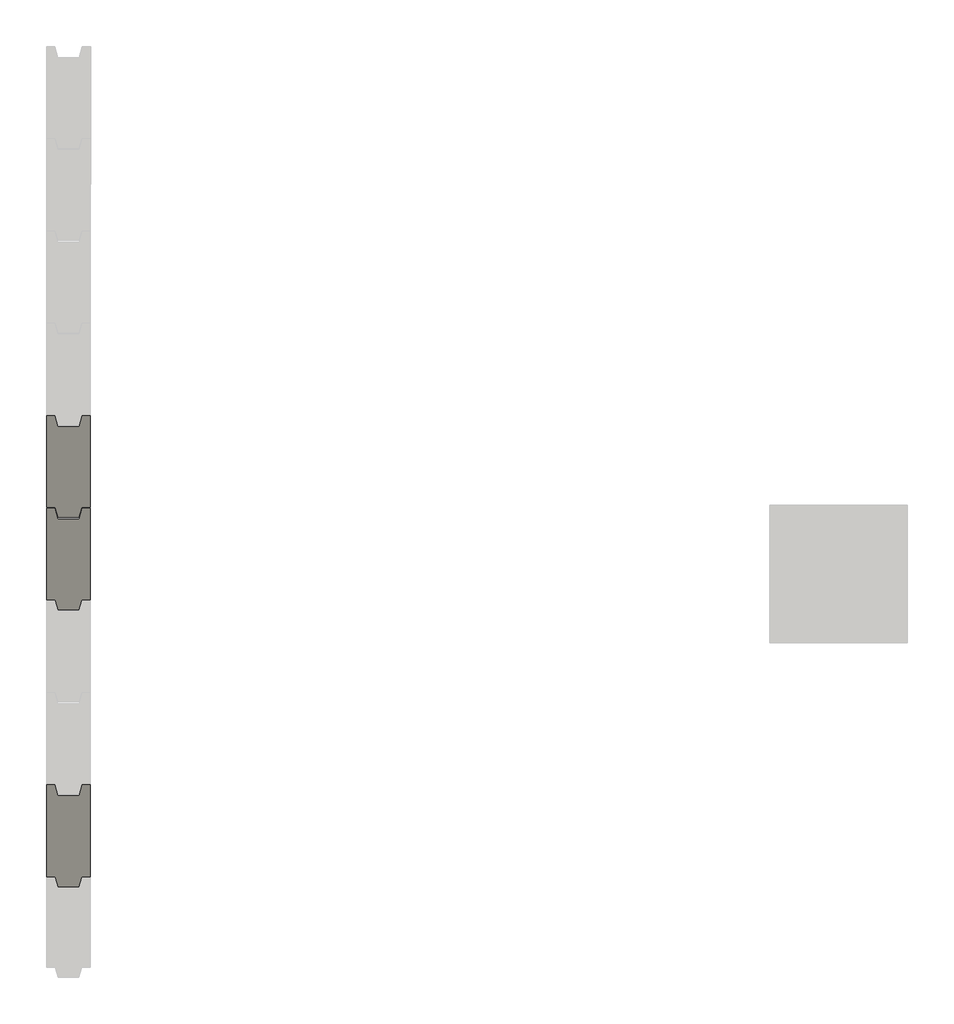
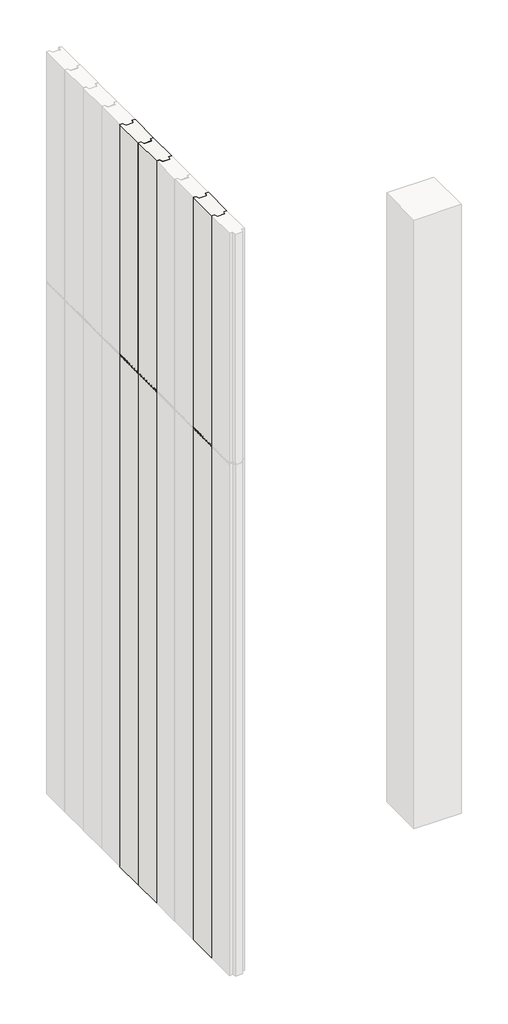
# One storey, part 1 of 3: 3 slabs.
"""IFC4 building model written with IfcOpenShell, lengths in millimetres."""

import ifcopenshell
import ifcopenshell.guid

model = None  # the IFC model being written
_history = None  # IfcOwnerHistory: only IFC2X3 demands one
_inside = {}  # id of a spatial element -> (the spatial element, [elements in it])
_under = {}  # id of a project, library or spatial element -> (it, [spatial elements below it])
_declared = {}  # id of a project -> (the project, [libraries it declares])
_typed = {}  # id of a type object -> (the type object, [elements of that type])
_made_of = {}  # id of a material, layer set ... -> (it, [elements and type objects made of it])


def new_model(schema):
    """Start an empty IFC model of exactly this schema.

    Asked for "IFC4X3", IfcOpenShell would pick the latest addendum, in which some entities
    have other attributes; the version numbers below select the first issue.
    IFC2X3 requires an IfcOwnerHistory on every rooted entity: one is made here for all.
    """
    global model, _history
    if schema == "IFC4X3":
        model = ifcopenshell.file(schema_version=(4, 3, 0, 0))
    else:
        model = ifcopenshell.file(schema=schema)
    _inside.clear()
    _under.clear()
    _declared.clear()
    _typed.clear()
    _made_of.clear()
    _history = None
    if model.schema == "IFC2X3":
        org = make("IfcOrganization", Name="unknown")
        user = make(
            "IfcPersonAndOrganization",
            ThePerson=make("IfcPerson", FamilyName="unknown"),
            TheOrganization=org,
        )
        app = make(
            "IfcApplication",
            ApplicationDeveloper=org,
            Version="unknown",
            ApplicationFullName="unknown",
            ApplicationIdentifier="unknown",
        )
        _history = make(
            "IfcOwnerHistory",
            OwningUser=user,
            OwningApplication=app,
            ChangeAction="ADDED",
            CreationDate=0,
        )
    return model


def make(cls, **values):
    """One entity of the class cls with the attributes given. An attribute that is None is left unset."""
    return model.create_entity(
        cls, **{name: value for name, value in values.items() if value is not None}
    )


def rooted(cls, **values):
    """An entity with a GlobalId (a new one), such as an element, a storey or a relation."""
    return make(cls, GlobalId=ifcopenshell.guid.new(), OwnerHistory=_history, **values)


def si_unit(unit_type, name, prefix=None):
    """IfcSIUnit, for example si_unit("LENGTHUNIT", "METRE", prefix="MILLI")."""
    return make("IfcSIUnit", UnitType=unit_type, Prefix=prefix, Name=name)


def assignment(units):
    """IfcUnitAssignment: the units of a project."""
    return None if units is None else make("IfcUnitAssignment", Units=units)


def point(xyz):
    """IfcCartesianPoint."""
    return None if xyz is None else make("IfcCartesianPoint", Coordinates=xyz)


def direction(xyz):
    """IfcDirection."""
    return None if xyz is None else make("IfcDirection", DirectionRatios=xyz)


def frame(location, z_axis=None, x_axis=None):
    """IfcAxis2Placement3D, a coordinate frame: its origin and axes. An axis left out is left unset."""
    return make(
        "IfcAxis2Placement3D",
        Location=point(location),
        Axis=direction(z_axis),
        RefDirection=direction(x_axis),
    )


def origin():
    """The frame at (0, 0, 0) with its axes left unset."""
    return frame((0.0, 0.0, 0.0))


def place(relative_to, where):
    """IfcLocalPlacement: puts the frame where relative to a parent placement (None: the world)."""
    return make(
        "IfcLocalPlacement", PlacementRelTo=relative_to, RelativePlacement=where
    )


def context(
    kind, dimensions, precision=None, world=None, true_north=None, identifier=None
):
    """IfcGeometricRepresentationContext, for example the 3D "Model" context."""
    return make(
        "IfcGeometricRepresentationContext",
        ContextIdentifier=identifier,
        ContextType=kind,
        CoordinateSpaceDimension=dimensions,
        Precision=precision,
        WorldCoordinateSystem=world,
        TrueNorth=true_north,
    )


def project(units=None, contexts=None):
    """IfcProject with its units and contexts."""
    return rooted(
        "IfcProject",
        Name="project",
        RepresentationContexts=contexts,
        UnitsInContext=assignment(units),
    )


def spatial(cls, under=None, at=None, **own):
    """A site, building, storey or space (cls), placed at a placement, below another one or the project."""
    s = rooted(cls, ObjectPlacement=at, **own)
    if under is not None:
        _under.setdefault(under.id(), (under, []))[1].append(s)
    return s


def faces_of(points, faces, orient=None, outer=None):
    """IfcFace entities. A face is a list of loops; a loop is a list of indices into points, from 0.

    orient and outer hold one flag for each loop. By default every Orientation is true, the
    first loop of a face is its IfcFaceOuterBound and the others are IfcFaceBound.
    """
    made = []
    for i, loops in enumerate(faces):
        bounds = []
        for j, loop in enumerate(loops):
            is_outer = j == 0 if outer is None else outer[i][j]
            bounds.append(
                make(
                    "IfcFaceOuterBound" if is_outer else "IfcFaceBound",
                    Bound=make("IfcPolyLoop", Polygon=[points[k] for k in loop]),
                    Orientation=True if orient is None else orient[i][j],
                )
            )
        made.append(make("IfcFace", Bounds=bounds))
    return made


def faceted_brep(points, faces, orient=None, outer=None, voids=None):
    """IfcFacetedBrep: a solid bounded by flat faces; with voids (closed shells), ...WithVoids."""
    shared = [point(p) for p in points]
    hull = make("IfcClosedShell", CfsFaces=faces_of(shared, faces, orient, outer))
    if voids is None:
        return make("IfcFacetedBrep", Outer=hull)
    return make(
        "IfcFacetedBrepWithVoids",
        Outer=hull,
        Voids=[
            make(cls, CfsFaces=faces_of(shared, fs, o, b)) for cls, fs, o, b in voids
        ],
    )


def shape(context_of_items, identifier, shape_type, items):
    """IfcShapeRepresentation: the items that make up one representation, for example the "Body"."""
    return make(
        "IfcShapeRepresentation",
        ContextOfItems=context_of_items,
        RepresentationIdentifier=identifier,
        RepresentationType=shape_type,
        Items=items,
    )


def made_of(thing, what):
    """Note that an element or type object is made of a material, layer set ...; save() writes the relation."""
    if what is not None:
        _made_of.setdefault(what.id(), (what, []))[1].append(thing)
    return thing


def element(
    cls,
    number,
    at=None,
    inside=None,
    cuts=None,
    type_object=None,
    material=None,
    context=None,
    identifier="Body",
    shape_type=None,
    held_by="IfcProductDefinitionShape",
    body=None,
    shapes=None,
    **own,
):
    """One element of the class cls, such as IfcWall. Its Tag is "e" and its number.

    at: its placement. inside: the storey or other place that contains it. cuts: it is an
    opening in that element (IfcRelVoidsElement). A single representation is given by context,
    identifier, shape_type and body (its items); several are given by shapes. held_by: the class
    of the entity that holds the representations. save() writes the other relations.
    """
    e = rooted(cls, Tag="e%d" % number, ObjectPlacement=at, **own)
    if body is not None:
        shapes = [shape(context, identifier, shape_type, body)]
    if shapes is not None:
        e.Representation = make(held_by, Representations=shapes)
    if inside is not None:
        _inside.setdefault(inside.id(), (inside, []))[1].append(e)
    if cuts is not None:
        rooted(
            "IfcRelVoidsElement", RelatingBuildingElement=cuts, RelatedOpeningElement=e
        )
    if type_object is not None:
        _typed.setdefault(type_object.id(), (type_object, []))[1].append(e)
    return made_of(e, material)


def aggregate(whole, parts):
    """IfcRelAggregates: a whole, such as a stair, and the parts it consists of."""
    return rooted("IfcRelAggregates", RelatingObject=whole, RelatedObjects=parts)


def save(model, path):
    """Write the relations noted so far, then the file.

    IfcRelAggregates (storeys below a building ...), IfcRelContainedInSpatialStructure (elements
    in a storey), IfcRelDefinesByType, IfcRelAssociatesMaterial and IfcRelDeclares: one each for
    every whole, place, type object, material and project.
    """
    for whole, parts in _under.values():
        aggregate(whole, parts)
    for where, things in _inside.values():
        rooted(
            "IfcRelContainedInSpatialStructure",
            RelatedElements=things,
            RelatingStructure=where,
        )
    for kind, things in _typed.values():
        rooted("IfcRelDefinesByType", RelatedObjects=things, RelatingType=kind)
    for what, things in _made_of.values():
        rooted("IfcRelAssociatesMaterial", RelatedObjects=things, RelatingMaterial=what)
    for by, libraries in _declared.values():
        rooted("IfcRelDeclares", RelatingContext=by, RelatedDefinitions=libraries)
    model.write(path)


model = new_model("IFC4")

# Units and contexts
model_context = context("Model", 3, world=origin())
ifc_project = project(units=[si_unit("LENGTHUNIT", "METRE", prefix="MILLI")], contexts=[model_context])

# Site, building, storey
site = spatial("IfcSite", under=ifc_project)
building = spatial("IfcBuilding", under=site)
storey = spatial("IfcBuildingStorey", under=building, Elevation=-3000.0)

# Slabs
placement = place(None, origin())
element("IfcSlab", 1, at=placement, inside=storey, context=model_context, shape_type="Brep", body=[
    faceted_brep([(9811.5705885, 57106.1979602, 145.0), (9811.5710611, 57273.1979602, 145.0), (9796.5710611, 57273.1980027, 145.0), (9791.2120206, 57253.1980178, 145.0), (9751.9299883, 57253.198129, 145.0), (9746.5710611, 57273.1981442, 145.0), (9731.5710611, 57273.1981866, 145.0), (9731.5705885, 57106.1981866, 145.0), (9747.1069538, 57106.1981427, 145.0), (9747.5705885, 57106.1981413, 145.0), (9753.0736898, 57088.1981258, 145.0), (9790.0673853, 57088.1980211, 145.0), (9795.5705885, 57106.1980055, 145.0), (9796.035157, 57106.1980042, 145.0), (9795.5705885, 57106.1980055, -1140.9159706), (9811.5705885, 57106.1979602, -1140.9159706), (9790.0673853, 57088.1980211, -1142.0678249), (9791.3149647, 57092.2786281, -1135.0), (9793.0801179, 57098.0521258, -1145.0), (9794.6858001, 57103.3040224, -1135.9034405), (9753.0736898, 57088.1981258, -1142.0678249), (9747.5705885, 57106.1981413, -1140.9159706), (9748.4553605, 57103.3041532, -1135.9034405), (9750.0610129, 57098.0522476, -1145.0), (9751.8261335, 57092.2787399, -1135.0), (9731.5705885, 57106.1981866, -1140.9159706), (9731.5710611, 57273.1981866, -1136.2177826), (9731.5710467, 57268.1277711, -1145.0), (9731.5710304, 57262.3542684, -1135.0), (9731.5710141, 57256.5807657, -1145.0), (9731.5709977, 57250.807263, -1135.0), (9731.5709814, 57245.0337603, -1145.0), (9731.5709665, 57239.7818592, -1135.9034405), (9731.5709517, 57234.5299581, -1145.0), (9731.5709353, 57228.7564554, -1135.0), (9731.570919, 57222.9829527, -1145.0), (9731.5709026, 57217.20945, -1135.0), (9731.5708863, 57211.4359474, -1145.0), (9731.57087, 57205.6624447, -1135.0), (9731.5708536, 57199.888942, -1145.0), (9731.5708373, 57194.1154393, -1135.0), (9731.5708209, 57188.3419366, -1145.0), (9731.5708046, 57182.5684339, -1135.0), (9731.5707883, 57176.7949312, -1145.0), (9731.5707734, 57171.5430301, -1135.9034405), (9731.5707585, 57166.291129, -1145.0), (9731.5707422, 57160.5176263, -1135.0), (9731.5707259, 57154.7441236, -1145.0), (9731.5707095, 57148.9706209, -1135.0), (9731.5706932, 57143.1971182, -1145.0), (9731.5706768, 57137.4236156, -1135.0), (9731.5706605, 57131.6501129, -1145.0), (9731.5706442, 57125.8766102, -1135.0), (9731.5706278, 57120.1031075, -1145.0), (9731.5706115, 57114.3296048, -1135.0), (9731.5705951, 57108.5561021, -1145.0), (9746.5710611, 57273.1981442, -1136.2177826), (9751.9299883, 57253.198129, -1139.1412012), (9751.0236386, 57256.5807106, -1145.0), (9749.4766495, 57262.3542177, -1135.0), (9747.9296605, 57268.1277248, -1145.0), (9791.2120206, 57253.1980178, -1139.1412012), (9796.5710611, 57273.1980027, -1136.2177826), (9795.212433, 57268.127591, -1145.0), (9793.6654113, 57262.3540927, -1135.0), (9792.1183895, 57256.5805943, -1145.0), (9811.5710611, 57273.1979602, -1136.2177826), (9811.5705951, 57108.5558757, -1145.0), (9811.5706115, 57114.3293784, -1135.0), (9811.5706278, 57120.1028811, -1145.0), (9811.5706442, 57125.8763838, -1135.0), (9811.5706605, 57131.6498865, -1145.0), (9811.5706768, 57137.4233892, -1135.0), (9811.5706932, 57143.1968918, -1145.0), (9811.5707095, 57148.9703945, -1135.0), (9811.5707259, 57154.7438972, -1145.0), (9811.5707422, 57160.5173999, -1135.0), (9811.5707585, 57166.2909026, -1145.0), (9811.5707734, 57171.5428037, -1135.9034405), (9811.5707883, 57176.7947048, -1145.0), (9811.5708046, 57182.5682075, -1135.0), (9811.5708209, 57188.3417102, -1145.0), (9811.5708373, 57194.1152129, -1135.0), (9811.5708536, 57199.8887156, -1145.0), (9811.57087, 57205.6622183, -1135.0), (9811.5708863, 57211.435721, -1145.0), (9811.5709026, 57217.2092236, -1135.0), (9811.570919, 57222.9827263, -1145.0), (9811.5709353, 57228.756229, -1135.0), (9811.5709517, 57234.5297317, -1145.0), (9811.5709665, 57239.7816328, -1135.9034405), (9811.5709814, 57245.0335339, -1145.0), (9811.5709977, 57250.8070366, -1135.0), (9811.5710141, 57256.5805393, -1145.0), (9811.5710304, 57262.354042, -1135.0), (9811.5710467, 57268.1275447, -1145.0)], [[[0, 1, 2, 3, 4, 5, 6, 7, 8, 9, 10, 11, 12, 13]], [[12, 14, 15, 0, 13]], [[11, 16, 17, 18, 19, 14, 12]], [[10, 20, 16, 11]], [[9, 21, 22, 23, 24, 20, 10]], [[7, 25, 21, 9, 8]], [[6, 26, 27, 28, 29, 30, 31, 32, 33, 34, 35, 36, 37, 38, 39, 40, 41, 42, 43, 44, 45, 46, 47, 48, 49, 50, 51, 52, 53, 54, 55, 25, 7]], [[5, 56, 26, 6]], [[4, 57, 58, 59, 60, 56, 5]], [[3, 61, 57, 4]], [[2, 62, 63, 64, 65, 61, 3]], [[1, 66, 62, 2]], [[0, 15, 67, 68, 69, 70, 71, 72, 73, 74, 75, 76, 77, 78, 79, 80, 81, 82, 83, 84, 85, 86, 87, 88, 89, 90, 91, 92, 93, 94, 95, 66, 1]], [[91, 90, 32, 31]], [[31, 30, 92, 91]], [[30, 29, 58, 57, 61, 65, 93, 92]], [[29, 28, 59, 58]], [[65, 64, 94, 93]], [[28, 27, 60, 59]], [[64, 63, 95, 94]], [[27, 26, 56, 60]], [[63, 62, 66, 95]], [[17, 16, 20, 24]], [[24, 23, 18, 17]], [[23, 22, 19, 18]], [[67, 15, 14, 19, 22, 21, 25, 55]], [[55, 54, 68, 67]], [[54, 53, 69, 68]], [[53, 52, 70, 69]], [[52, 51, 71, 70]], [[51, 50, 72, 71]], [[50, 49, 73, 72]], [[49, 48, 74, 73]], [[48, 47, 75, 74]], [[47, 46, 76, 75]], [[46, 45, 77, 76]], [[45, 44, 78, 77]], [[44, 43, 79, 78]], [[43, 42, 80, 79]], [[42, 41, 81, 80]], [[41, 40, 82, 81]], [[40, 39, 83, 82]], [[39, 38, 84, 83]], [[38, 37, 85, 84]], [[37, 36, 86, 85]], [[36, 35, 87, 86]], [[35, 34, 88, 87]], [[34, 33, 89, 88]], [[90, 89, 33, 32]]]),
    faceted_brep([(9811.5705885, 57106.1979602, -4000.0), (9796.035157, 57106.1980042, -4000.0), (9795.5705885, 57106.1980055, -4000.0), (9790.0673853, 57088.1980211, -4000.0), (9753.0736898, 57088.1981258, -4000.0), (9747.5705885, 57106.1981413, -4000.0), (9747.1069538, 57106.1981427, -4000.0), (9731.5705885, 57106.1981866, -4000.0), (9731.5710611, 57273.1981866, -4000.0), (9746.5710611, 57273.1981442, -4000.0), (9751.9299883, 57253.198129, -4000.0), (9791.2120206, 57253.1980178, -4000.0), (9796.5710611, 57273.1980027, -4000.0), (9811.5710611, 57273.1979602, -4000.0), (9811.5710611, 57273.1979602, -1135.0), (9811.5705885, 57106.1979602, -1135.0), (9796.5710611, 57273.1980027, -1135.0), (9791.2120206, 57253.1980178, -1135.0), (9751.9299883, 57253.198129, -1135.0), (9756.5710045, 57253.1981159, -1135.0), (9756.5710045, 57253.1981159, -1139.1412012), (9786.5710045, 57253.198031, -1139.1412012), (9786.5710045, 57253.198031, -1135.0), (9746.5710611, 57273.1981442, -1135.0), (9731.5710611, 57273.1981866, -1135.0), (9731.5705885, 57106.1981866, -1135.0), (9747.5705885, 57106.1981413, -1135.0), (9747.1069538, 57106.1981427, -1135.0), (9753.0736898, 57088.1981258, -1135.0), (9790.0673853, 57088.1980211, -1135.0), (9786.5705375, 57088.198031, -1135.0), (9786.5705375, 57088.198031, -1142.0678249), (9756.5705375, 57088.1981159, -1142.0678249), (9756.5705375, 57088.1981159, -1135.0), (9795.5705885, 57106.1980055, -1135.0), (9796.035157, 57106.1980042, -1135.0), (9786.5709814, 57245.0336047, -1145.0), (9756.5709814, 57245.0336896, -1145.0), (9756.5709665, 57239.7817885, -1135.9034405), (9786.5709665, 57239.7817036, -1135.9034405), (9786.5709977, 57250.8071073, -1135.0), (9756.5709977, 57250.8071922, -1135.0), (9756.5705491, 57092.2787265, -1135.0), (9786.5705491, 57092.2786416, -1135.0), (9786.5705654, 57098.0521443, -1145.0), (9756.5705654, 57098.0522292, -1145.0), (9786.5705803, 57103.3040454, -1135.9034405), (9756.5705803, 57103.3041303, -1135.9034405), (9786.5705951, 57108.5559464, -1145.0), (9756.5705951, 57108.5560313, -1145.0), (9786.5706115, 57114.3294491, -1135.0), (9756.5706115, 57114.329534, -1135.0), (9786.5706278, 57120.1029518, -1145.0), (9756.5706278, 57120.1030367, -1145.0), (9786.5706442, 57125.8764545, -1135.0), (9756.5706442, 57125.8765394, -1135.0), (9786.5706605, 57131.6499572, -1145.0), (9756.5706605, 57131.6500421, -1145.0), (9786.5706768, 57137.4234599, -1135.0), (9756.5706768, 57137.4235448, -1135.0), (9786.5706932, 57143.1969626, -1145.0), (9756.5706932, 57143.1970475, -1145.0), (9786.5707095, 57148.9704653, -1135.0), (9756.5707095, 57148.9705502, -1135.0), (9786.5707259, 57154.743968, -1145.0), (9756.5707259, 57154.7440529, -1145.0), (9786.5707422, 57160.5174707, -1135.0), (9756.5707422, 57160.5175556, -1135.0), (9786.5707585, 57166.2909734, -1145.0), (9756.5707585, 57166.2910583, -1145.0), (9786.5707734, 57171.5428745, -1135.9034405), (9756.5707734, 57171.5429594, -1135.9034405), (9786.5707883, 57176.7947756, -1145.0), (9756.5707883, 57176.7948605, -1145.0), (9786.5708046, 57182.5682782, -1135.0), (9756.5708046, 57182.5683631, -1135.0), (9786.5708209, 57188.3417809, -1145.0), (9756.5708209, 57188.3418658, -1145.0), (9786.5708373, 57194.1152836, -1135.0), (9756.5708373, 57194.1153685, -1135.0), (9786.5708536, 57199.8887863, -1145.0), (9756.5708536, 57199.8888712, -1145.0), (9786.57087, 57205.662289, -1135.0), (9756.57087, 57205.6623739, -1135.0), (9786.5708863, 57211.4357917, -1145.0), (9756.5708863, 57211.4358766, -1145.0), (9786.5709026, 57217.2092944, -1135.0), (9756.5709026, 57217.2093793, -1135.0), (9786.570919, 57222.9827971, -1145.0), (9756.570919, 57222.982882, -1145.0), (9786.5709353, 57228.7562998, -1135.0), (9756.5709353, 57228.7563847, -1135.0), (9786.5709517, 57234.5298025, -1145.0), (9756.5709517, 57234.5298874, -1145.0)], [[[0, 1, 2, 3, 4, 5, 6, 7, 8, 9, 10, 11, 12, 13]], [[13, 14, 15, 0]], [[12, 16, 14, 13]], [[11, 17, 16, 12]], [[10, 18, 19, 20, 21, 22, 17, 11]], [[9, 23, 18, 10]], [[8, 24, 23, 9]], [[7, 25, 24, 8]], [[5, 26, 27, 25, 7, 6]], [[4, 28, 26, 5]], [[3, 29, 30, 31, 32, 33, 28, 4]], [[2, 34, 29, 3]], [[0, 15, 35, 34, 2, 1]], [[36, 37, 38, 39]], [[40, 41, 37, 36]], [[40, 21, 20, 41]], [[42, 32, 31, 43]], [[44, 45, 42, 43]], [[46, 47, 45, 44]], [[48, 49, 47, 46]], [[50, 51, 49, 48]], [[52, 53, 51, 50]], [[54, 55, 53, 52]], [[56, 57, 55, 54]], [[58, 59, 57, 56]], [[60, 61, 59, 58]], [[62, 63, 61, 60]], [[64, 65, 63, 62]], [[66, 67, 65, 64]], [[68, 69, 67, 66]], [[70, 71, 69, 68]], [[72, 73, 71, 70]], [[74, 75, 73, 72]], [[76, 77, 75, 74]], [[78, 79, 77, 76]], [[80, 81, 79, 78]], [[82, 83, 81, 80]], [[84, 85, 83, 82]], [[86, 87, 85, 84]], [[88, 89, 87, 86]], [[90, 91, 89, 88]], [[92, 93, 91, 90]], [[39, 38, 93, 92]], [[51, 42, 45, 47, 49]], [[55, 51, 53]], [[59, 55, 57]], [[63, 59, 61]], [[41, 91, 93, 38, 37]], [[67, 63, 65]], [[91, 87, 89]], [[75, 67, 69, 71, 73]], [[87, 83, 85]], [[83, 79, 81]], [[42, 33, 32]], [[79, 75, 77]], [[20, 19, 41]], [[15, 14, 16, 17, 22, 40, 90, 86, 82, 78, 74, 66, 62, 58, 54, 50, 43, 30, 29, 34, 35]], [[28, 33, 42, 51, 55, 59, 63, 67, 75, 79, 83, 87, 91, 41, 19, 18, 23, 24, 25, 27, 26]], [[90, 40, 36, 39, 92]], [[78, 82, 80]], [[86, 90, 88]], [[82, 86, 84]], [[74, 78, 76]], [[66, 74, 72, 70, 68]], [[62, 66, 64]], [[58, 62, 60]], [[54, 58, 56]], [[50, 54, 52]], [[43, 50, 48, 46, 44]], [[31, 30, 43]], [[40, 22, 21]]]),
])
element("IfcSlab", 2, at=placement, inside=storey, context=model_context, shape_type="Brep", body=[
    faceted_brep([(9811.5724902, 57778.1979602, 145.0), (9811.5729628, 57945.1979602, 145.0), (9796.5729628, 57945.1980027, 145.0), (9791.2139224, 57925.1980178, 145.0), (9751.9318901, 57925.198129, 145.0), (9746.5729628, 57945.1981442, 145.0), (9731.5729628, 57945.1981866, 145.0), (9731.5724902, 57778.1981866, 145.0), (9747.5724902, 57778.1981413, 145.0), (9753.0755916, 57760.1981258, 145.0), (9790.069287, 57760.1980211, 145.0), (9795.5724902, 57778.1980055, 145.0), (9795.5724902, 57778.1980055, -1140.9159706), (9811.5724902, 57778.1979602, -1140.9159706), (9790.069287, 57760.1980211, -1142.0678249), (9791.3168664, 57764.2786281, -1135.0), (9793.0820197, 57770.0521258, -1145.0), (9794.6877018, 57775.3040224, -1135.9034405), (9753.0755916, 57760.1981258, -1142.0678249), (9747.5724902, 57778.1981413, -1140.9159706), (9748.4572622, 57775.3041532, -1135.9034405), (9750.0629147, 57770.0522476, -1145.0), (9751.8280353, 57764.2787399, -1135.0), (9731.5724902, 57778.1981866, -1140.9159706), (9731.5729628, 57945.1981866, -1136.2177826), (9731.5729485, 57940.1277711, -1145.0), (9731.5729322, 57934.3542684, -1135.0), (9731.5729158, 57928.5807657, -1145.0), (9731.5728995, 57922.807263, -1135.0), (9731.5728831, 57917.0337603, -1145.0), (9731.5728683, 57911.7818592, -1135.9034405), (9731.5728534, 57906.5299581, -1145.0), (9731.5728371, 57900.7564554, -1135.0), (9731.5728207, 57894.9829527, -1145.0), (9731.5728044, 57889.20945, -1135.0), (9731.5727881, 57883.4359474, -1145.0), (9731.5727717, 57877.6624447, -1135.0), (9731.5727554, 57871.888942, -1145.0), (9731.572739, 57866.1154393, -1135.0), (9731.5727227, 57860.3419366, -1145.0), (9731.5727064, 57854.5684339, -1135.0), (9731.57269, 57848.7949312, -1145.0), (9731.5726752, 57843.5430301, -1135.9034405), (9731.5726603, 57838.291129, -1145.0), (9731.572644, 57832.5176263, -1135.0), (9731.5726276, 57826.7441236, -1145.0), (9731.5726113, 57820.9706209, -1135.0), (9731.5725949, 57815.1971182, -1145.0), (9731.5725786, 57809.4236156, -1135.0), (9731.5725623, 57803.6501129, -1145.0), (9731.5725459, 57797.8766102, -1135.0), (9731.5725296, 57792.1031075, -1145.0), (9731.5725132, 57786.3296048, -1135.0), (9731.5724969, 57780.5561021, -1145.0), (9746.5729628, 57945.1981442, -1136.2177826), (9751.9318901, 57925.198129, -1139.1412012), (9751.0255403, 57928.5807106, -1145.0), (9749.4785513, 57934.3542177, -1135.0), (9747.9315622, 57940.1277248, -1145.0), (9791.2139224, 57925.1980178, -1139.1412012), (9796.5729628, 57945.1980027, -1136.2177826), (9795.2143347, 57940.127591, -1145.0), (9793.667313, 57934.3540927, -1135.0), (9792.1202913, 57928.5805943, -1145.0), (9811.5729628, 57945.1979602, -1136.2177826), (9811.5724969, 57780.5558757, -1145.0), (9811.5725132, 57786.3293784, -1135.0), (9811.5725296, 57792.1028811, -1145.0), (9811.5725459, 57797.8763838, -1135.0), (9811.5725623, 57803.6498865, -1145.0), (9811.5725786, 57809.4233892, -1135.0), (9811.5725949, 57815.1968918, -1145.0), (9811.5726113, 57820.9703945, -1135.0), (9811.5726276, 57826.7438972, -1145.0), (9811.572644, 57832.5173999, -1135.0), (9811.5726603, 57838.2909026, -1145.0), (9811.5726752, 57843.5428037, -1135.9034405), (9811.57269, 57848.7947048, -1145.0), (9811.5727064, 57854.5682075, -1135.0), (9811.5727227, 57860.3417102, -1145.0), (9811.572739, 57866.1152129, -1135.0), (9811.5727554, 57871.8887156, -1145.0), (9811.5727717, 57877.6622183, -1135.0), (9811.5727881, 57883.4357209, -1145.0), (9811.5728044, 57889.2092236, -1135.0), (9811.5728207, 57894.9827263, -1145.0), (9811.5728371, 57900.756229, -1135.0), (9811.5728534, 57906.5297317, -1145.0), (9811.5728683, 57911.7816328, -1135.9034405), (9811.5728831, 57917.0335339, -1145.0), (9811.5728995, 57922.8070366, -1135.0), (9811.5729158, 57928.5805393, -1145.0), (9811.5729322, 57934.354042, -1135.0), (9811.5729485, 57940.1275447, -1145.0)], [[[0, 1, 2, 3, 4, 5, 6, 7, 8, 9, 10, 11]], [[11, 12, 13, 0]], [[10, 14, 15, 16, 17, 12, 11]], [[9, 18, 14, 10]], [[8, 19, 20, 21, 22, 18, 9]], [[7, 23, 19, 8]], [[6, 24, 25, 26, 27, 28, 29, 30, 31, 32, 33, 34, 35, 36, 37, 38, 39, 40, 41, 42, 43, 44, 45, 46, 47, 48, 49, 50, 51, 52, 53, 23, 7]], [[5, 54, 24, 6]], [[4, 55, 56, 57, 58, 54, 5]], [[3, 59, 55, 4]], [[2, 60, 61, 62, 63, 59, 3]], [[1, 64, 60, 2]], [[0, 13, 65, 66, 67, 68, 69, 70, 71, 72, 73, 74, 75, 76, 77, 78, 79, 80, 81, 82, 83, 84, 85, 86, 87, 88, 89, 90, 91, 92, 93, 64, 1]], [[89, 88, 30, 29]], [[29, 28, 90, 89]], [[28, 27, 56, 55, 59, 63, 91, 90]], [[27, 26, 57, 56]], [[63, 62, 92, 91]], [[26, 25, 58, 57]], [[62, 61, 93, 92]], [[25, 24, 54, 58]], [[61, 60, 64, 93]], [[15, 14, 18, 22]], [[22, 21, 16, 15]], [[21, 20, 17, 16]], [[65, 13, 12, 17, 20, 19, 23, 53]], [[53, 52, 66, 65]], [[52, 51, 67, 66]], [[51, 50, 68, 67]], [[50, 49, 69, 68]], [[49, 48, 70, 69]], [[48, 47, 71, 70]], [[47, 46, 72, 71]], [[46, 45, 73, 72]], [[45, 44, 74, 73]], [[44, 43, 75, 74]], [[43, 42, 76, 75]], [[42, 41, 77, 76]], [[41, 40, 78, 77]], [[40, 39, 79, 78]], [[39, 38, 80, 79]], [[38, 37, 81, 80]], [[37, 36, 82, 81]], [[36, 35, 83, 82]], [[35, 34, 84, 83]], [[34, 33, 85, 84]], [[33, 32, 86, 85]], [[32, 31, 87, 86]], [[88, 87, 31, 30]]]),
    faceted_brep([(9811.5724902, 57778.1979602, -4000.0), (9795.5724902, 57778.1980055, -4000.0), (9790.069287, 57760.1980211, -4000.0), (9753.0755916, 57760.1981258, -4000.0), (9747.5724902, 57778.1981413, -4000.0), (9731.5724902, 57778.1981866, -4000.0), (9731.5729628, 57945.1981866, -4000.0), (9746.5729628, 57945.1981442, -4000.0), (9751.9318901, 57925.198129, -4000.0), (9791.2139224, 57925.1980178, -4000.0), (9796.5729628, 57945.1980027, -4000.0), (9811.5729628, 57945.1979602, -4000.0), (9811.5729628, 57945.1979602, -1135.0), (9811.5724902, 57778.1979602, -1135.0), (9796.5729628, 57945.1980027, -1135.0), (9791.2139224, 57925.1980178, -1135.0), (9751.9318901, 57925.198129, -1135.0), (9756.5729062, 57925.1981159, -1135.0), (9756.5729062, 57925.1981159, -1139.1412012), (9786.5729062, 57925.198031, -1139.1412012), (9786.5729062, 57925.198031, -1135.0), (9746.5729628, 57945.1981442, -1135.0), (9731.5729628, 57945.1981866, -1135.0), (9731.5724902, 57778.1981866, -1135.0), (9747.5724902, 57778.1981413, -1135.0), (9753.0755916, 57760.1981258, -1135.0), (9790.069287, 57760.1980211, -1135.0), (9786.5724393, 57760.198031, -1135.0), (9786.5724393, 57760.198031, -1142.0678249), (9756.5724393, 57760.1981159, -1142.0678249), (9756.5724393, 57760.1981159, -1135.0), (9795.5724902, 57778.1980055, -1135.0), (9786.5728831, 57917.0336047, -1145.0), (9756.5728831, 57917.0336896, -1145.0), (9756.5728683, 57911.7817885, -1135.9034405), (9786.5728683, 57911.7817036, -1135.9034405), (9786.5728995, 57922.8071073, -1135.0), (9756.5728995, 57922.8071922, -1135.0), (9756.5724508, 57764.2787265, -1135.0), (9786.5724508, 57764.2786416, -1135.0), (9786.5724672, 57770.0521443, -1145.0), (9756.5724672, 57770.0522292, -1145.0), (9786.572482, 57775.3040454, -1135.9034405), (9756.572482, 57775.3041303, -1135.9034405), (9786.5724969, 57780.5559464, -1145.0), (9756.5724969, 57780.5560313, -1145.0), (9786.5725132, 57786.3294491, -1135.0), (9756.5725132, 57786.329534, -1135.0), (9786.5725296, 57792.1029518, -1145.0), (9756.5725296, 57792.1030367, -1145.0), (9786.5725459, 57797.8764545, -1135.0), (9756.5725459, 57797.8765394, -1135.0), (9786.5725623, 57803.6499572, -1145.0), (9756.5725623, 57803.6500421, -1145.0), (9786.5725786, 57809.4234599, -1135.0), (9756.5725786, 57809.4235448, -1135.0), (9786.5725949, 57815.1969626, -1145.0), (9756.5725949, 57815.1970475, -1145.0), (9786.5726113, 57820.9704653, -1135.0), (9756.5726113, 57820.9705502, -1135.0), (9786.5726276, 57826.743968, -1145.0), (9756.5726276, 57826.7440529, -1145.0), (9786.572644, 57832.5174707, -1135.0), (9756.572644, 57832.5175556, -1135.0), (9786.5726603, 57838.2909734, -1145.0), (9756.5726603, 57838.2910583, -1145.0), (9786.5726752, 57843.5428745, -1135.9034405), (9756.5726752, 57843.5429594, -1135.9034405), (9786.57269, 57848.7947755, -1145.0), (9756.57269, 57848.7948604, -1145.0), (9786.5727064, 57854.5682782, -1135.0), (9756.5727064, 57854.5683631, -1135.0), (9786.5727227, 57860.3417809, -1145.0), (9756.5727227, 57860.3418658, -1145.0), (9786.572739, 57866.1152836, -1135.0), (9756.572739, 57866.1153685, -1135.0), (9786.5727554, 57871.8887863, -1145.0), (9756.5727554, 57871.8888712, -1145.0), (9786.5727717, 57877.662289, -1135.0), (9756.5727717, 57877.6623739, -1135.0), (9786.5727881, 57883.4357917, -1145.0), (9756.5727881, 57883.4358766, -1145.0), (9786.5728044, 57889.2092944, -1135.0), (9756.5728044, 57889.2093793, -1135.0), (9786.5728207, 57894.9827971, -1145.0), (9756.5728207, 57894.982882, -1145.0), (9786.5728371, 57900.7562998, -1135.0), (9756.5728371, 57900.7563847, -1135.0), (9786.5728534, 57906.5298025, -1145.0), (9756.5728534, 57906.5298874, -1145.0)], [[[0, 1, 2, 3, 4, 5, 6, 7, 8, 9, 10, 11]], [[11, 12, 13, 0]], [[10, 14, 12, 11]], [[9, 15, 14, 10]], [[8, 16, 17, 18, 19, 20, 15, 9]], [[7, 21, 16, 8]], [[6, 22, 21, 7]], [[5, 23, 22, 6]], [[4, 24, 23, 5]], [[3, 25, 24, 4]], [[2, 26, 27, 28, 29, 30, 25, 3]], [[1, 31, 26, 2]], [[0, 13, 31, 1]], [[32, 33, 34, 35]], [[36, 37, 33, 32]], [[36, 19, 18, 37]], [[38, 29, 28, 39]], [[40, 41, 38, 39]], [[42, 43, 41, 40]], [[44, 45, 43, 42]], [[46, 47, 45, 44]], [[48, 49, 47, 46]], [[50, 51, 49, 48]], [[52, 53, 51, 50]], [[54, 55, 53, 52]], [[56, 57, 55, 54]], [[58, 59, 57, 56]], [[60, 61, 59, 58]], [[62, 63, 61, 60]], [[64, 65, 63, 62]], [[66, 67, 65, 64]], [[68, 69, 67, 66]], [[70, 71, 69, 68]], [[72, 73, 71, 70]], [[74, 75, 73, 72]], [[76, 77, 75, 74]], [[78, 79, 77, 76]], [[80, 81, 79, 78]], [[82, 83, 81, 80]], [[84, 85, 83, 82]], [[86, 87, 85, 84]], [[88, 89, 87, 86]], [[35, 34, 89, 88]], [[47, 38, 41, 43, 45]], [[51, 47, 49]], [[55, 51, 53]], [[59, 55, 57]], [[37, 87, 89, 34, 33]], [[63, 59, 61]], [[87, 83, 85]], [[71, 63, 65, 67, 69]], [[83, 79, 81]], [[79, 75, 77]], [[38, 30, 29]], [[75, 71, 73]], [[18, 17, 37]], [[25, 30, 38, 47, 51, 55, 59, 63, 71, 75, 79, 83, 87, 37, 17, 16, 21, 22, 23, 24]], [[13, 12, 14, 15, 20, 36, 86, 82, 78, 74, 70, 62, 58, 54, 50, 46, 39, 27, 26, 31]], [[86, 36, 32, 35, 88]], [[74, 78, 76]], [[82, 86, 84]], [[78, 82, 80]], [[70, 74, 72]], [[62, 70, 68, 66, 64]], [[58, 62, 60]], [[54, 58, 56]], [[50, 54, 52]], [[46, 50, 48]], [[39, 46, 44, 42, 40]], [[28, 27, 39]], [[36, 20, 19]]]),
])
element("IfcSlab", 3, at=placement, inside=storey, context=model_context, shape_type="Brep", body=[
    faceted_brep([(9811.5720148, 57610.1979602, 145.0), (9811.5724874, 57777.1979602, 145.0), (9796.5724874, 57777.1980027, 145.0), (9791.213447, 57757.1980178, 145.0), (9751.9314147, 57757.198129, 145.0), (9746.5724874, 57777.1981442, 145.0), (9731.5724874, 57777.1981866, 145.0), (9731.5720148, 57610.1981866, 145.0), (9747.5720148, 57610.1981413, 145.0), (9753.0751161, 57592.1981258, 145.0), (9790.0688116, 57592.1980211, 145.0), (9795.5720148, 57610.1980055, 145.0), (9795.5720148, 57610.1980055, -1140.9159706), (9811.5720148, 57610.1979602, -1140.9159706), (9790.0688116, 57592.1980211, -1142.0678249), (9791.316391, 57596.2786281, -1135.0), (9793.0815442, 57602.0521258, -1145.0), (9794.6872264, 57607.3040224, -1135.9034405), (9753.0751161, 57592.1981258, -1142.0678249), (9747.5720148, 57610.1981413, -1140.9159706), (9748.4567868, 57607.3041532, -1135.9034405), (9750.0624392, 57602.0522476, -1145.0), (9751.8275598, 57596.2787399, -1135.0), (9731.5720148, 57610.1981866, -1140.9159706), (9731.5724874, 57777.1981866, -1136.2177826), (9731.5724731, 57772.1277711, -1145.0), (9731.5724567, 57766.3542684, -1135.0), (9731.5724404, 57760.5807657, -1145.0), (9731.572424, 57754.807263, -1135.0), (9731.5724077, 57749.0337603, -1145.0), (9731.5723928, 57743.7818592, -1135.9034405), (9731.572378, 57738.5299581, -1145.0), (9731.5723616, 57732.7564554, -1135.0), (9731.5723453, 57726.9829527, -1145.0), (9731.572329, 57721.20945, -1135.0), (9731.5723126, 57715.4359474, -1145.0), (9731.5722963, 57709.6624447, -1135.0), (9731.5722799, 57703.888942, -1145.0), (9731.5722636, 57698.1154393, -1135.0), (9731.5722473, 57692.3419366, -1145.0), (9731.5722309, 57686.5684339, -1135.0), (9731.5722146, 57680.7949312, -1145.0), (9731.5721997, 57675.5430301, -1135.9034405), (9731.5721849, 57670.291129, -1145.0), (9731.5721685, 57664.5176263, -1135.0), (9731.5721522, 57658.7441236, -1145.0), (9731.5721358, 57652.9706209, -1135.0), (9731.5721195, 57647.1971182, -1145.0), (9731.5721032, 57641.4236156, -1135.0), (9731.5720868, 57635.6501129, -1145.0), (9731.5720705, 57629.8766102, -1135.0), (9731.5720541, 57624.1031075, -1145.0), (9731.5720378, 57618.3296048, -1135.0), (9731.5720215, 57612.5561021, -1145.0), (9746.5724874, 57777.1981442, -1136.2177826), (9751.9314147, 57757.198129, -1139.1412012), (9751.0250649, 57760.5807106, -1145.0), (9749.4780759, 57766.3542177, -1135.0), (9747.9310868, 57772.1277248, -1145.0), (9791.213447, 57757.1980178, -1139.1412012), (9796.5724874, 57777.1980027, -1136.2177826), (9795.2138593, 57772.127591, -1145.0), (9793.6668376, 57766.3540927, -1135.0), (9792.1198159, 57760.5805943, -1145.0), (9811.5724874, 57777.1979602, -1136.2177826), (9811.5720215, 57612.5558757, -1145.0), (9811.5720378, 57618.3293784, -1135.0), (9811.5720541, 57624.1028811, -1145.0), (9811.5720705, 57629.8763838, -1135.0), (9811.5720868, 57635.6498865, -1145.0), (9811.5721032, 57641.4233892, -1135.0), (9811.5721195, 57647.1968918, -1145.0), (9811.5721358, 57652.9703945, -1135.0), (9811.5721522, 57658.7438972, -1145.0), (9811.5721685, 57664.5173999, -1135.0), (9811.5721849, 57670.2909026, -1145.0), (9811.5721997, 57675.5428037, -1135.9034405), (9811.5722146, 57680.7947048, -1145.0), (9811.5722309, 57686.5682075, -1135.0), (9811.5722473, 57692.3417102, -1145.0), (9811.5722636, 57698.1152129, -1135.0), (9811.5722799, 57703.8887156, -1145.0), (9811.5722963, 57709.6622183, -1135.0), (9811.5723126, 57715.435721, -1145.0), (9811.572329, 57721.2092236, -1135.0), (9811.5723453, 57726.9827263, -1145.0), (9811.5723616, 57732.756229, -1135.0), (9811.572378, 57738.5297317, -1145.0), (9811.5723928, 57743.7816328, -1135.9034405), (9811.5724077, 57749.0335339, -1145.0), (9811.572424, 57754.8070366, -1135.0), (9811.5724404, 57760.5805393, -1145.0), (9811.5724567, 57766.354042, -1135.0), (9811.5724731, 57772.1275447, -1145.0)], [[[0, 1, 2, 3, 4, 5, 6, 7, 8, 9, 10, 11]], [[11, 12, 13, 0]], [[10, 14, 15, 16, 17, 12, 11]], [[9, 18, 14, 10]], [[8, 19, 20, 21, 22, 18, 9]], [[7, 23, 19, 8]], [[6, 24, 25, 26, 27, 28, 29, 30, 31, 32, 33, 34, 35, 36, 37, 38, 39, 40, 41, 42, 43, 44, 45, 46, 47, 48, 49, 50, 51, 52, 53, 23, 7]], [[5, 54, 24, 6]], [[4, 55, 56, 57, 58, 54, 5]], [[3, 59, 55, 4]], [[2, 60, 61, 62, 63, 59, 3]], [[1, 64, 60, 2]], [[0, 13, 65, 66, 67, 68, 69, 70, 71, 72, 73, 74, 75, 76, 77, 78, 79, 80, 81, 82, 83, 84, 85, 86, 87, 88, 89, 90, 91, 92, 93, 64, 1]], [[89, 88, 30, 29]], [[29, 28, 90, 89]], [[28, 27, 56, 55, 59, 63, 91, 90]], [[27, 26, 57, 56]], [[63, 62, 92, 91]], [[26, 25, 58, 57]], [[62, 61, 93, 92]], [[25, 24, 54, 58]], [[61, 60, 64, 93]], [[15, 14, 18, 22]], [[22, 21, 16, 15]], [[21, 20, 17, 16]], [[65, 13, 12, 17, 20, 19, 23, 53]], [[53, 52, 66, 65]], [[52, 51, 67, 66]], [[51, 50, 68, 67]], [[50, 49, 69, 68]], [[49, 48, 70, 69]], [[48, 47, 71, 70]], [[47, 46, 72, 71]], [[46, 45, 73, 72]], [[45, 44, 74, 73]], [[44, 43, 75, 74]], [[43, 42, 76, 75]], [[42, 41, 77, 76]], [[41, 40, 78, 77]], [[40, 39, 79, 78]], [[39, 38, 80, 79]], [[38, 37, 81, 80]], [[37, 36, 82, 81]], [[36, 35, 83, 82]], [[35, 34, 84, 83]], [[34, 33, 85, 84]], [[33, 32, 86, 85]], [[32, 31, 87, 86]], [[88, 87, 31, 30]]]),
    faceted_brep([(9811.5720148, 57610.1979602, -4000.0), (9795.5720148, 57610.1980055, -4000.0), (9790.0688116, 57592.1980211, -4000.0), (9753.0751161, 57592.1981258, -4000.0), (9747.5720148, 57610.1981413, -4000.0), (9731.5720148, 57610.1981866, -4000.0), (9731.5724874, 57777.1981866, -4000.0), (9746.5724874, 57777.1981442, -4000.0), (9751.9314147, 57757.198129, -4000.0), (9791.213447, 57757.1980178, -4000.0), (9796.5724874, 57777.1980027, -4000.0), (9811.5724874, 57777.1979602, -4000.0), (9811.5724874, 57777.1979602, -1135.0), (9811.5720148, 57610.1979602, -1135.0), (9796.5724874, 57777.1980027, -1135.0), (9791.213447, 57757.1980178, -1135.0), (9751.9314147, 57757.198129, -1135.0), (9756.5724308, 57757.1981159, -1135.0), (9756.5724308, 57757.1981159, -1139.1412012), (9786.5724308, 57757.198031, -1139.1412012), (9786.5724308, 57757.198031, -1135.0), (9746.5724874, 57777.1981442, -1135.0), (9731.5724874, 57777.1981866, -1135.0), (9731.5720148, 57610.1981866, -1135.0), (9747.5720148, 57610.1981413, -1135.0), (9753.0751161, 57592.1981258, -1135.0), (9790.0688116, 57592.1980211, -1135.0), (9786.5719639, 57592.198031, -1135.0), (9786.5719639, 57592.198031, -1142.0678249), (9756.5719639, 57592.1981159, -1142.0678249), (9756.5719639, 57592.1981159, -1135.0), (9795.5720148, 57610.1980055, -1135.0), (9786.5724077, 57749.0336047, -1145.0), (9756.5724077, 57749.0336896, -1145.0), (9756.5723928, 57743.7817885, -1135.9034405), (9786.5723928, 57743.7817036, -1135.9034405), (9786.572424, 57754.8071073, -1135.0), (9756.572424, 57754.8071922, -1135.0), (9756.5719754, 57596.2787265, -1135.0), (9786.5719754, 57596.2786416, -1135.0), (9786.5719917, 57602.0521443, -1145.0), (9756.5719917, 57602.0522292, -1145.0), (9786.5720066, 57607.3040454, -1135.9034405), (9756.5720066, 57607.3041303, -1135.9034405), (9786.5720215, 57612.5559464, -1145.0), (9756.5720215, 57612.5560313, -1145.0), (9786.5720378, 57618.3294491, -1135.0), (9756.5720378, 57618.329534, -1135.0), (9786.5720541, 57624.1029518, -1145.0), (9756.5720541, 57624.1030367, -1145.0), (9786.5720705, 57629.8764545, -1135.0), (9756.5720705, 57629.8765394, -1135.0), (9786.5720868, 57635.6499572, -1145.0), (9756.5720868, 57635.6500421, -1145.0), (9786.5721032, 57641.4234599, -1135.0), (9756.5721032, 57641.4235448, -1135.0), (9786.5721195, 57647.1969626, -1145.0), (9756.5721195, 57647.1970475, -1145.0), (9786.5721358, 57652.9704653, -1135.0), (9756.5721358, 57652.9705502, -1135.0), (9786.5721522, 57658.743968, -1145.0), (9756.5721522, 57658.7440529, -1145.0), (9786.5721685, 57664.5174707, -1135.0), (9756.5721685, 57664.5175556, -1135.0), (9786.5721849, 57670.2909734, -1145.0), (9756.5721849, 57670.2910583, -1145.0), (9786.5721997, 57675.5428745, -1135.9034405), (9756.5721997, 57675.5429594, -1135.9034405), (9786.5722146, 57680.7947755, -1145.0), (9756.5722146, 57680.7948604, -1145.0), (9786.5722309, 57686.5682782, -1135.0), (9756.5722309, 57686.5683631, -1135.0), (9786.5722473, 57692.3417809, -1145.0), (9756.5722473, 57692.3418658, -1145.0), (9786.5722636, 57698.1152836, -1135.0), (9756.5722636, 57698.1153685, -1135.0), (9786.5722799, 57703.8887863, -1145.0), (9756.5722799, 57703.8888712, -1145.0), (9786.5722963, 57709.662289, -1135.0), (9756.5722963, 57709.6623739, -1135.0), (9786.5723126, 57715.4357917, -1145.0), (9756.5723126, 57715.4358766, -1145.0), (9786.572329, 57721.2092944, -1135.0), (9756.572329, 57721.2093793, -1135.0), (9786.5723453, 57726.9827971, -1145.0), (9756.5723453, 57726.982882, -1145.0), (9786.5723616, 57732.7562998, -1135.0), (9756.5723616, 57732.7563847, -1135.0), (9786.572378, 57738.5298025, -1145.0), (9756.572378, 57738.5298874, -1145.0)], [[[0, 1, 2, 3, 4, 5, 6, 7, 8, 9, 10, 11]], [[11, 12, 13, 0]], [[10, 14, 12, 11]], [[9, 15, 14, 10]], [[8, 16, 17, 18, 19, 20, 15, 9]], [[7, 21, 16, 8]], [[6, 22, 21, 7]], [[5, 23, 22, 6]], [[4, 24, 23, 5]], [[3, 25, 24, 4]], [[2, 26, 27, 28, 29, 30, 25, 3]], [[1, 31, 26, 2]], [[0, 13, 31, 1]], [[32, 33, 34, 35]], [[36, 37, 33, 32]], [[36, 19, 18, 37]], [[38, 29, 28, 39]], [[40, 41, 38, 39]], [[42, 43, 41, 40]], [[44, 45, 43, 42]], [[46, 47, 45, 44]], [[48, 49, 47, 46]], [[50, 51, 49, 48]], [[52, 53, 51, 50]], [[54, 55, 53, 52]], [[56, 57, 55, 54]], [[58, 59, 57, 56]], [[60, 61, 59, 58]], [[62, 63, 61, 60]], [[64, 65, 63, 62]], [[66, 67, 65, 64]], [[68, 69, 67, 66]], [[70, 71, 69, 68]], [[72, 73, 71, 70]], [[74, 75, 73, 72]], [[76, 77, 75, 74]], [[78, 79, 77, 76]], [[80, 81, 79, 78]], [[82, 83, 81, 80]], [[84, 85, 83, 82]], [[86, 87, 85, 84]], [[88, 89, 87, 86]], [[35, 34, 89, 88]], [[47, 38, 41, 43, 45]], [[51, 47, 49]], [[55, 51, 53]], [[59, 55, 57]], [[37, 87, 89, 34, 33]], [[63, 59, 61]], [[87, 83, 85]], [[71, 63, 65, 67, 69]], [[83, 79, 81]], [[79, 75, 77]], [[38, 30, 29]], [[75, 71, 73]], [[18, 17, 37]], [[25, 30, 38, 47, 51, 55, 59, 63, 71, 75, 79, 83, 87, 37, 17, 16, 21, 22, 23, 24]], [[13, 12, 14, 15, 20, 36, 86, 82, 78, 74, 70, 62, 58, 54, 50, 46, 39, 27, 26, 31]], [[86, 36, 32, 35, 88]], [[74, 78, 76]], [[82, 86, 84]], [[78, 82, 80]], [[70, 74, 72]], [[62, 70, 68, 66, 64]], [[58, 62, 60]], [[54, 58, 56]], [[50, 54, 52]], [[46, 50, 48]], [[39, 46, 44, 42, 40]], [[28, 27, 39]], [[36, 20, 19]]]),
])

save(model, "model.ifc")
